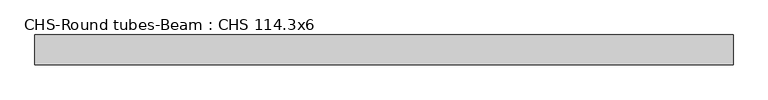
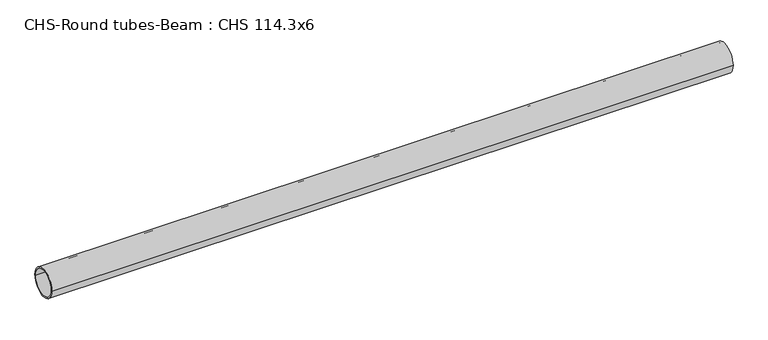
"""IFC4 building model written with IfcOpenShell, lengths in millimetres: beam geometry, CHS-Round tubes-Beam : CHS 114.3x6."""

from ifc_helpers import new_model, si_unit, point, frame, origin, origin_2d, place, context, project, spatial, circle_curve, trimmed, segment, composite_curve, outline, extrude, source, transform, mapped, element, save


def chs_round_tubes_beam_chs_114_3x6_45cccb61(model_context):
    return source(origin(), model_context, "Body", "SweptSolid", [
        extrude(outline(composite_curve([segment(trimmed(circle_curve(origin_2d(), 57.15), [point((57.15, 0.0))], [point((-57.15, 0.0))], False, "CARTESIAN"), True, "CONTINUOUS"), segment(trimmed(circle_curve(origin_2d(), 57.15), [point((-57.15, 0.0))], [point((57.15, 0.0))], False, "CARTESIAN"), True, "CONTINUOUS")], self_intersect=False), holes=[composite_curve([segment(trimmed(circle_curve(origin_2d(), 51.15), [point((51.15, 0.0))], [point((-51.15, 0.0))], True, "CARTESIAN"), True, "CONTINUOUS"), segment(trimmed(circle_curve(origin_2d(), 51.15), [point((-51.15, 0.0))], [point((51.15, 0.0))], True, "CARTESIAN"), True, "CONTINUOUS")], self_intersect=False)]), frame((-1255.9306902, 0.0, 0.0), z_axis=(1.0, 0.0, 0.0), x_axis=(0.0, 1.0, 0.0)), (0.0, 0.0, 1.0), 2671.8113117),
    ])


if __name__ == "__main__":
    model = new_model("IFC4")
    model_context = context("Model", 3, world=origin())
    ifc_project = project(units=[si_unit("LENGTHUNIT", "METRE", prefix="MILLI")], contexts=[model_context])
    site = spatial("IfcSite", under=ifc_project)
    building = spatial("IfcBuilding", under=site)
    placement = place(None, origin())
    chs_round_tubes_beam_chs_114_3x6_shape = chs_round_tubes_beam_chs_114_3x6_45cccb61(model_context)
    element("IfcBeam", 1, ObjectType="CHS-Round tubes-Beam : CHS 114.3x6", at=placement, inside=building, context=model_context, shape_type="MappedRepresentation", body=[
        mapped(chs_round_tubes_beam_chs_114_3x6_shape, transform((0.0, 0.0, 0.0), x_axis=(1.0, 0.0, 0.0), y_axis=(0.0, 1.0, 0.0), z_axis=(0.0, 0.0, 1.0))),
    ])
    save(model, "model.ifc")
